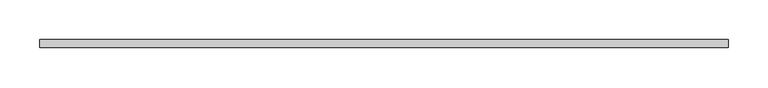
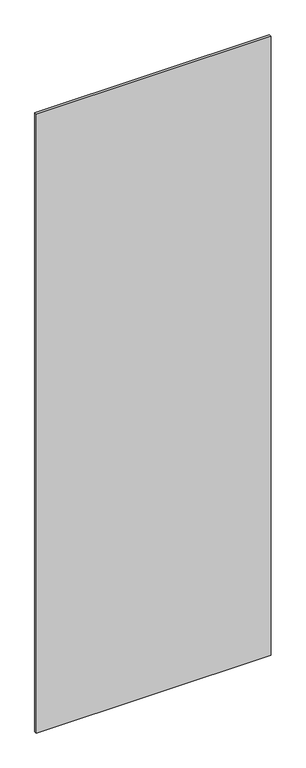
"""IFC4 building model written with IfcOpenShell, lengths in millimetres: plate geometry."""

from ifc_helpers import new_model, si_unit, origin, origin_with_axes, place, context, project, spatial, polyline, outline, extrude, source, transform, mapped, element, save


def plate_3ac6c2d3(model_context):
    return source(origin(), model_context, "Body", "SweptSolid", [
        extrude(outline(polyline([(431.1280984, -5.0), (-431.1280984, -5.0), (-431.1280984, 5.0), (431.1280984, 5.0), (431.1280984, -5.0)])), origin_with_axes(), (0.0, 0.0, 1.0), 2401.0),
    ])


if __name__ == "__main__":
    model = new_model("IFC4")
    model_context = context("Model", 3, world=origin())
    ifc_project = project(units=[si_unit("LENGTHUNIT", "METRE", prefix="MILLI")], contexts=[model_context])
    site = spatial("IfcSite", under=ifc_project)
    building = spatial("IfcBuilding", under=site)
    placement = place(None, origin())
    plate_shape = plate_3ac6c2d3(model_context)
    element("IfcPlate", 1, at=placement, inside=building, context=model_context, shape_type="MappedRepresentation", body=[
        mapped(plate_shape, transform((0.0, 0.0, 0.0), x_axis=(1.0, 0.0, 0.0), y_axis=(0.0, 1.0, 0.0), z_axis=(0.0, 0.0, 1.0))),
    ])
    save(model, "model.ifc")
